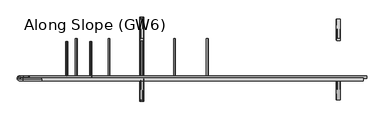
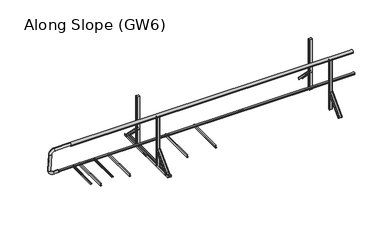
"""IFC4 building model written with IfcOpenShell, lengths in millimetres: proxy geometry, Along Slope (GW6)."""

from ifc_helpers import new_model, si_unit, point, frame, frame_2d, origin, origin_with_axes, place, context, project, spatial, polyline, circle_curve, ellipse_curve, trimmed, segment, composite_curve, outline, extrude, source, transform, mapped, element, save
from ifc_brep_helpers import plane_surface, cylinder_surface, revolved_surface, extruded_surface, advanced_brep


def along_slope_gw6_383ccba3(model_context):
    return source(origin(), model_context, "Body", "SolidModel", [
        advanced_brep(
        [(-200.0, -596.8, 513.0), (-200.0, -596.8, 553.0), (-210.0, -596.8, 508.0), (-210.0, -596.8, 558.0)],
        [
            (0, 1, circle_curve(frame((-200.0, -596.8, 533.0), z_axis=(1.0, 0.0, 0.0), x_axis=(0.0, 0.0, -1.0)), 20.0)),
            (1, 0, circle_curve(frame((-200.0, -596.8, 533.0), z_axis=(1.0, 0.0, 0.0), x_axis=(0.0, 0.0, 1.0)), 20.0)),
            (2, 3, circle_curve(frame((-210.0, -596.8, 533.0), z_axis=(-1.0, 0.0, 0.0), x_axis=(0.0, 0.0, 1.0)), 25.0)),
            (3, 2, circle_curve(frame((-210.0, -596.8, 533.0), z_axis=(-1.0, 0.0, 0.0), x_axis=(0.0, 0.0, -1.0)), 25.0)),
            (3, 1),
            (0, 2),
        ],
        [
            plane_surface(frame((-200.0, -596.8, 533.0), z_axis=(1.0, 0.0, 0.0), x_axis=(0.0, 1.0, 0.0))),
            plane_surface(frame((-210.0, -596.8, 533.0), z_axis=(-1.0, 0.0, 0.0), x_axis=(0.0, 1.0, 0.0))),
            revolved_surface(polyline([(-200.0, -596.8, 513.0), (-210.0, -596.8, 508.0)]), (-160.0, -596.8, 533.0), (-1.0, 0.0, 0.0)),
            revolved_surface(polyline([(-200.0, -596.8, 553.0), (-210.0, -596.8, 558.0)]), (-160.0, -596.8, 533.0), (-1.0, 0.0, 0.0)),
        ],
        [
            (0, [[1, 2]]),
            (1, [[3, 4]]),
            (2, [[-4, 5, -1, 6]]),
            (3, [[-3, -6, -2, -5]]),
        ],
    ),
        advanced_brep(
        [(0.0, -633.2768095, 1044.936779), (0.0, -629.7231905, 995.063221), (-300.0, -633.2768095, 1044.936779), (-300.0, -629.7231905, 995.063221), (-350.0, -626.1695715, 945.1896629), (-400.0, -626.1695715, 945.1896629), (-400.0, -602.1399996, 607.9446635), (-350.0, -602.1399996, 607.9446635), (-300.0, -598.5863806, 558.0711054), (-300.0, -595.0327616, 508.1975474), (-210.0, -595.0327616, 508.1975474), (-210.0, -598.5863806, 558.0711054)],
        [
            (0, 1, circle_curve(frame((0.0, -631.5, 1020.0), z_axis=(1.0, 0.0, 0.0), x_axis=(0.0, 0.07107238045514491, -0.9974711608545078)), 25.0)),
            (1, 0, circle_curve(frame((0.0, -631.5, 1020.0), z_axis=(1.0, 0.0, 0.0), x_axis=(0.0, 0.07107238045514491, -0.9974711608545078)), 25.0)),
            (0, 2),
            (2, 3, circle_curve(frame((-300.0, -631.5, 1020.0), z_axis=(1.0, 0.0, 0.0), x_axis=(0.0, 0.07107238045514491, -0.9974711608545078)), 25.0)),
            (3, 1),
            (3, 2, circle_curve(frame((-300.0, -631.5, 1020.0), z_axis=(1.0, 0.0, 0.0), x_axis=(0.0, 0.07107238045514491, -0.9974711608545078)), 25.0)),
            (4, 3, circle_curve(frame((-300.0, -626.1695715, 945.1896629), z_axis=(0.0, 0.9974711608545078, 0.07107238045514491), x_axis=(0.0, -0.07107238045514491, 0.9974711608545078)), 50.0)),
            (2, 5, circle_curve(frame((-300.0, -626.1695715, 945.1896629), z_axis=(0.0, -0.9974711608545078, -0.07107238045514491), x_axis=(0.0, -0.07107238045514491, 0.9974711608545078)), 100.0)),
            (5, 4, circle_curve(frame((-375.0, -626.1695715, 945.1896629), z_axis=(0.0, -0.07107238045514491, 0.9974711608545078), x_axis=(1.0000000000000002, 0.0, 0.0)), 25.0)),
            (4, 5, circle_curve(frame((-375.0, -626.1695715, 945.1896629), z_axis=(0.0, -0.07107238045514491, 0.9974711608545078), x_axis=(1.0000000000000002, 0.0, 0.0)), 25.0)),
            (5, 6),
            (6, 7, circle_curve(frame((-375.0, -602.1399996, 607.9446635), z_axis=(0.0, -0.07107238045514493, 0.9974711608545077), x_axis=(1.0, 0.0, 0.0)), 25.0)),
            (7, 4),
            (7, 6, circle_curve(frame((-375.0, -602.1399996, 607.9446635), z_axis=(0.0, -0.07107238045514493, 0.9974711608545077), x_axis=(1.0, 0.0, 0.0)), 25.0)),
            (8, 7, circle_curve(frame((-300.0, -602.1399996, 607.9446635), z_axis=(0.0, 0.9974711608545078, 0.07107238045514491), x_axis=(-1.0, 0.0, 0.0)), 50.0)),
            (6, 9, circle_curve(frame((-300.0, -602.1399996, 607.9446635), z_axis=(0.0, -0.9974711608545078, -0.07107238045514491), x_axis=(-1.0, 0.0, 0.0)), 100.0)),
            (9, 8, circle_curve(frame((-300.0, -596.8095711, 533.1343264), z_axis=(-1.0, 0.0, 0.0), x_axis=(0.0, -0.07107238045514493, 0.9974711608545078)), 25.0)),
            (8, 9, circle_curve(frame((-300.0, -596.8095711, 533.1343264), z_axis=(-1.0, 0.0, 0.0), x_axis=(0.0, -0.07107238045514493, 0.9974711608545078)), 25.0)),
            (10, 11, circle_curve(frame((-210.0, -596.8095711, 533.1343264), z_axis=(1.0, 0.0, 0.0), x_axis=(0.0, -0.07107238045514491, 0.9974711608545078)), 25.0)),
            (11, 10, circle_curve(frame((-210.0, -596.8095711, 533.1343264), z_axis=(1.0, 0.0, 0.0), x_axis=(0.0, -0.07107238045514491, 0.9974711608545078)), 25.0)),
            (9, 10),
            (11, 8),
        ],
        [
            plane_surface(frame((0.0, -633.2768095, 1044.936779), z_axis=(1.0000000000000002, 0.0, 0.0), x_axis=(0.0, -0.9974711608545078, -0.07107238045514491))),
            cylinder_surface(frame((0.0, -631.5, 1020.0), z_axis=(1.0000000000000002, 0.0, 0.0), x_axis=(0.0, 0.07107238045514491, -0.9974711608545078)), 25.0),
            revolved_surface(trimmed(ellipse_curve(frame((-300.0, -631.5, 1020.0), z_axis=(1.0000000000000002, 0.0, 0.0), x_axis=(0.0, 0.07107238045514491, -0.9974711608545078)), 25.0, 25.0), [point((-300.0, -633.2768095, 1044.936779))], [point((-300.0, -629.7231905, 995.063221))], True, "CARTESIAN"), (-300.0, -626.1695715, 945.1896629), (0.0, -0.9974711608545078, -0.07107238045514491)),
            revolved_surface(trimmed(ellipse_curve(frame((-300.0, -631.5, 1020.0), z_axis=(1.0000000000000002, 0.0, 0.0), x_axis=(0.0, 0.07107238045514491, -0.9974711608545078)), 25.0, 25.0), [point((-300.0, -629.7231905, 995.063221))], [point((-300.0, -633.2768095, 1044.936779))], True, "CARTESIAN"), (-300.0, -626.1695715, 945.1896629), (0.0, -0.9974711608545078, -0.07107238045514491)),
            cylinder_surface(frame((-375.0, -626.1695715, 945.1896629), z_axis=(0.0, -0.07107238045514493, 0.9974711608545077), x_axis=(1.0, 0.0, 0.0)), 25.0),
            revolved_surface(trimmed(ellipse_curve(frame((-375.0, -602.1399996, 607.9446635), z_axis=(0.0, -0.07107238045514494, 0.9974711608545078), x_axis=(1.0, 0.0, 0.0)), 25.0, 25.0), [point((-400.0, -602.1399996, 607.9446635))], [point((-350.0, -602.1399996, 607.9446635))], True, "CARTESIAN"), (-300.0, -602.1399996, 607.9446635), (0.0, -0.9974711608545078, -0.07107238045514491)),
            revolved_surface(trimmed(ellipse_curve(frame((-375.0, -602.1399996, 607.9446635), z_axis=(0.0, -0.07107238045514494, 0.9974711608545078), x_axis=(1.0, 0.0, 0.0)), 25.0, 25.0), [point((-350.0, -602.1399996, 607.9446635))], [point((-400.0, -602.1399996, 607.9446635))], True, "CARTESIAN"), (-300.0, -602.1399996, 607.9446635), (0.0, -0.9974711608545078, -0.07107238045514491)),
            plane_surface(frame((-210.0, -595.0327616, 508.1975474), z_axis=(1.0000000000000002, 0.0, 0.0), x_axis=(0.0, -0.9974711608545078, -0.07107238045514491))),
            cylinder_surface(frame((-300.0, -596.8095711, 533.1343264), z_axis=(-1.0, 0.0, 0.0), x_axis=(0.0, -0.07107238045514491, 0.9974711608545078)), 25.0),
        ],
        [
            (0, [[1, 2]]),
            (1, [[-1, 3, 4, 5]]),
            (1, [[-2, -5, 6, -3]]),
            (2, [[7, -4, 8, 9]]),
            (3, [[-8, -6, -7, 10]]),
            (4, [[-9, 11, 12, 13]]),
            (4, [[-10, -13, 14, -11]]),
            (5, [[15, -12, 16, 17]]),
            (6, [[-16, -14, -15, 18]]),
            (7, [[19, 20]]),
            (8, [[-17, 21, -20, 22]]),
            (8, [[-18, -22, -19, -21]]),
        ],
    ),
        extrude(outline(composite_curve([segment(trimmed(circle_curve(frame_2d((-596.787505, 533.0)), 20.0), [point((-578.2, 525.617273))], [point((-612.5, 520.6259343))], False, "CARTESIAN"), True, "CONTINUOUS"), segment(polyline([(-612.5, 520.6259343), (-612.5, 545.3740657)]), True, "CONTINUOUS"), segment(trimmed(circle_curve(frame_2d((-596.787505, 533.0)), 20.0), [point((-612.5, 545.3740657))], [point((-578.2, 540.382727))], False, "CARTESIAN"), True, "CONTINUOUS"), segment(polyline([(-578.2, 540.382727), (-582.2, 540.382727), (-582.2, 525.617273), (-578.2, 525.617273)]), True, "CONTINUOUS")], self_intersect=False)), frame((-200.0, 0.0, 0.0), z_axis=(1.0, 0.0, 0.0), x_axis=(0.0, 1.0, 0.0)), (0.0, 0.0, 1.0), 5585.0),
        extrude(outline(composite_curve([segment(trimmed(circle_curve(frame_2d((-631.5, 1020.0)), 25.0), [point((-652.5, 1006.43534))], [point((-610.5, 1006.43534))], False, "CARTESIAN"), True, "CONTINUOUS"), segment(polyline([(-610.5, 1006.43534), (-610.5, 988.0), (-611.5, 988.0), (-611.5, 1003.0), (-651.5, 1003.0), (-651.5, 988.0), (-652.5, 988.0), (-652.5, 1006.43534)]), True, "CONTINUOUS")], self_intersect=False)), frame((0.0, 0.0, 0.0), z_axis=(1.0, 0.0, 0.0), x_axis=(0.0, 1.0, 0.0)), (0.0, 0.0, 1.0), 5330.0),
        extrude(outline(polyline([(3e-07, 2761.8888889), (2.0000003, 2761.8888889), (2.0000003, 2733.8888889), (38.0000003, 2733.8888889), (38.0000003, 2751.8888889), (40.0000003, 2751.8888889), (40.0000003, 2731.8888889), (3e-07, 2731.8888889), (3e-07, 2761.8888889)])), frame((0.0, -650.0, 0.0), z_axis=(0.0, 1.0, 0.0), x_axis=(0.0, 0.0, 1.0)), (0.0, 0.0, 1.0), 700.0),
        extrude(outline(polyline([(3e-07, 2218.1111111), (2.0000003, 2218.1111111), (2.0000003, 2190.1111111), (38.0000003, 2190.1111111), (38.0000003, 2208.1111111), (40.0000003, 2208.1111111), (40.0000003, 2188.1111111), (3e-07, 2188.1111111), (3e-07, 2218.1111111)])), frame((0.0, -650.0, 0.0), z_axis=(0.0, 1.0, 0.0), x_axis=(0.0, 0.0, 1.0)), (0.0, 0.0, 1.0), 700.0),
        extrude(outline(polyline([(3e-07, 1130.5555556), (2.0000003, 1130.5555556), (2.0000003, 1102.5555556), (38.0000003, 1102.5555556), (38.0000003, 1120.5555556), (40.0000003, 1120.5555556), (40.0000003, 1100.5555556), (3e-07, 1100.5555556), (3e-07, 1130.5555556)])), frame((0.0, -650.0, 0.0), z_axis=(0.0, 1.0, 0.0), x_axis=(0.0, 0.0, 1.0)), (0.0, 0.0, 1.0), 700.0),
        extrude(outline(polyline([(3e-07, 586.7777778), (2.0000003, 586.7777778), (2.0000003, 558.7777778), (38.0000003, 558.7777778), (38.0000003, 576.7777778), (40.0000003, 576.7777778), (40.0000003, 556.7777778), (3e-07, 556.7777778), (3e-07, 586.7777778)])), frame((0.0, -650.0, 0.0), z_axis=(0.0, 1.0, 0.0), x_axis=(0.0, 0.0, 1.0)), (0.0, 0.0, 1.0), 700.0),
        extrude(outline(composite_curve([segment(trimmed(circle_curve(frame_2d((62.9683907, 823.75)), 6.25), [point((67.8614305, 819.8614704))], [point((60.2402402, 818.1268608))], False, "CARTESIAN"), True, "CONTINUOUS"), segment(trimmed(circle_curve(frame_2d((59.3468026, 816.2853478)), 2.0468026), [point((60.2402402, 818.1268608))], [point((57.3, 816.2853478))], True, "CARTESIAN"), True, "CONTINUOUS"), segment(polyline([(57.3, 816.2853478), (57.3, 801.5)]), True, "CONTINUOUS"), segment(trimmed(circle_curve(frame_2d((55.8, 801.5)), 1.5), [point((57.3, 801.5))], [point((55.8, 800.0))], False, "CARTESIAN"), True, "CONTINUOUS"), segment(polyline([(55.8, 800.0), (55.0, 800.0), (55.0, 821.9783691)]), True, "CONTINUOUS"), segment(trimmed(circle_curve(frame_2d((64.084859, 821.098018)), 9.1274138), [point((55.0, 821.9783691))], [point((60.5433217, 829.510342))], False, "CARTESIAN"), True, "CONTINUOUS"), segment(trimmed(circle_curve(frame_2d((62.9683907, 823.75)), 6.25), [point((60.5433217, 829.510342))], [point((67.8614305, 827.6385296))], False, "CARTESIAN"), True, "CONTINUOUS"), segment(trimmed(circle_curve(frame_2d((67.2653483, 827.1648193)), 0.7613904), [point((67.8614305, 827.6385296))], [point((66.7916381, 826.5687372))], False, "CARTESIAN"), True, "CONTINUOUS"), segment(trimmed(circle_curve(frame_2d((62.9683907, 823.75)), 4.75), [point((66.7916381, 826.5687372))], [point((66.7916381, 820.9312628))], True, "CARTESIAN"), True, "CONTINUOUS"), segment(trimmed(circle_curve(frame_2d((67.2653483, 820.3351807)), 0.7613904), [point((66.7916381, 820.9312628))], [point((67.8614305, 819.8614704))], False, "CARTESIAN"), True, "CONTINUOUS")], self_intersect=False)), frame((0.0, -600.0, 0.0), z_axis=(0.0, 1.0, 0.0), x_axis=(0.0, 0.0, 1.0)), (0.0, 0.0, 1.0), 600.0),
        extrude(outline(composite_curve([segment(trimmed(circle_curve(frame_2d((62.9683907, 423.75)), 6.25), [point((67.8614305, 419.8614704))], [point((60.2402402, 418.1268608))], False, "CARTESIAN"), True, "CONTINUOUS"), segment(trimmed(circle_curve(frame_2d((59.3468026, 416.2853478)), 2.0468026), [point((60.2402402, 418.1268608))], [point((57.3, 416.2853478))], True, "CARTESIAN"), True, "CONTINUOUS"), segment(polyline([(57.3, 416.2853478), (57.3, 401.5)]), True, "CONTINUOUS"), segment(trimmed(circle_curve(frame_2d((55.8, 401.5)), 1.5), [point((57.3, 401.5))], [point((55.8, 400.0))], False, "CARTESIAN"), True, "CONTINUOUS"), segment(polyline([(55.8, 400.0), (55.0, 400.0), (55.0, 421.9783691)]), True, "CONTINUOUS"), segment(trimmed(circle_curve(frame_2d((64.084859, 421.098018)), 9.1274138), [point((55.0, 421.9783691))], [point((60.5433217, 429.510342))], False, "CARTESIAN"), True, "CONTINUOUS"), segment(trimmed(circle_curve(frame_2d((62.9683907, 423.75)), 6.25), [point((60.5433217, 429.510342))], [point((67.8614305, 427.6385296))], False, "CARTESIAN"), True, "CONTINUOUS"), segment(trimmed(circle_curve(frame_2d((67.2653483, 427.1648193)), 0.7613904), [point((67.8614305, 427.6385296))], [point((66.7916381, 426.5687372))], False, "CARTESIAN"), True, "CONTINUOUS"), segment(trimmed(circle_curve(frame_2d((62.9683907, 423.75)), 4.75), [point((66.7916381, 426.5687372))], [point((66.7916381, 420.9312628))], True, "CARTESIAN"), True, "CONTINUOUS"), segment(trimmed(circle_curve(frame_2d((67.2653483, 420.3351807)), 0.7613904), [point((66.7916381, 420.9312628))], [point((67.8614305, 419.8614704))], False, "CARTESIAN"), True, "CONTINUOUS")], self_intersect=False)), frame((0.0, -600.0, 0.0), z_axis=(0.0, 1.0, 0.0), x_axis=(0.0, 0.0, 1.0)), (0.0, 0.0, 1.0), 600.0),
        advanced_brep(
        [(1688.8333333, 368.6980515, 38.0000003), (1688.8333333, 342.888654, 12.1906028), (1685.8333333, 342.888654, 12.1906028), (1685.8333333, 366.5767312, 35.87868), (1675.8333333, 366.5767312, 35.87868), (1675.8333333, 364.8089642, 34.110913), (1674.8333333, 364.8089642, 34.110913), (1674.8333333, 366.5767312, 35.87868), (1637.8333333, 366.5767312, 35.87868), (1637.8333333, 364.8089642, 34.110913), (1636.8333333, 364.8089642, 34.110913), (1636.8333333, 366.5767312, 35.87868), (1626.8333333, 366.5767312, 35.87868), (1626.8333333, 342.888654, 12.1906028), (1623.8333333, 342.888654, 12.1906028), (1623.8333333, 368.6980515, 38.0000003), (1691.8333333, 50.5, 356.1980519), (1626.8333333, 50.5, 356.1980519), (1626.8333333, 24.6906025, 330.3886543), (1629.8333333, 24.6906025, 330.3886543), (1629.8333333, 48.3786797, 354.0767315), (1639.8333333, 48.3786797, 354.0767315), (1639.8333333, 46.6109127, 352.3089646), (1640.8333333, 46.6109127, 352.3089646), (1640.8333333, 48.3786797, 354.0767315), (1677.8333333, 48.3786797, 354.0767315), (1677.8333333, 46.6109127, 352.3089646), (1678.8333333, 46.6109127, 352.3089646), (1678.8333333, 48.3786797, 354.0767315), (1688.8333333, 48.3786797, 354.0767315), (1688.8333333, 24.6906025, 330.3886543), (1691.8333333, 24.6906025, 330.3886543)],
        [
            (0, 1),
            (1, 2, circle_curve(frame((1687.3333333, 342.888654, 12.1906028), z_axis=(0.0, 0.7071067811865506, -0.7071067811865446), x_axis=(0.0, 0.7071067811865446, 0.7071067811865506)), 1.5)),
            (2, 3),
            (3, 4),
            (4, 5),
            (5, 6, circle_curve(frame((1675.3333333, 364.8089642, 34.110913), z_axis=(0.0, 0.7071067811865506, -0.7071067811865446), x_axis=(0.0, 0.7071067811865446, 0.7071067811865506)), 0.5)),
            (6, 7),
            (7, 8),
            (8, 9),
            (9, 10, circle_curve(frame((1637.3333333, 364.8089642, 34.110913), z_axis=(0.0, 0.7071067811865506, -0.7071067811865446), x_axis=(0.0, 0.7071067811865446, 0.7071067811865506)), 0.5)),
            (10, 11),
            (11, 12),
            (12, 13),
            (13, 14, circle_curve(frame((1625.3333333, 342.888654, 12.1906028), z_axis=(0.0, 0.7071067811865506, -0.7071067811865446), x_axis=(0.0, 0.7071067811865446, 0.7071067811865506)), 1.5)),
            (14, 15),
            (15, 0),
            (16, 17),
            (17, 18),
            (18, 19, circle_curve(frame((1628.3333333, 24.6906025, 330.3886543), z_axis=(0.0, -0.7071067811865506, 0.7071067811865446), x_axis=(0.0, 0.7071067811865446, 0.7071067811865506)), 1.5)),
            (19, 20),
            (20, 21),
            (21, 22),
            (22, 23, circle_curve(frame((1640.3333333, 46.6109127, 352.3089646), z_axis=(0.0, -0.7071067811865506, 0.7071067811865446), x_axis=(0.0, 0.7071067811865446, 0.7071067811865506)), 0.5)),
            (23, 24),
            (24, 25),
            (25, 26),
            (26, 27, circle_curve(frame((1678.3333333, 46.6109127, 352.3089646), z_axis=(0.0, -0.7071067811865506, 0.7071067811865446), x_axis=(0.0, 0.7071067811865446, 0.7071067811865506)), 0.5)),
            (27, 28),
            (28, 29),
            (29, 30),
            (30, 31, circle_curve(frame((1690.3333333, 24.6906025, 330.3886543), z_axis=(0.0, -0.7071067811865506, 0.7071067811865446), x_axis=(0.0, 0.7071067811865446, 0.7071067811865506)), 1.5)),
            (31, 16),
            (31, 1),
            (0, 16),
            (30, 2),
            (29, 3),
            (28, 4),
            (27, 5),
            (26, 6),
            (25, 7),
            (24, 8),
            (23, 9),
            (22, 10),
            (21, 11),
            (20, 12),
            (19, 13),
            (18, 14),
            (17, 15),
        ],
        [
            plane_surface(frame((1656.3333333, 360.4779352, 29.779884), z_axis=(0.0, 0.7071067811865502, -0.7071067811865449), x_axis=(0.0, -0.7071067811865449, -0.7071067811865502))),
            plane_surface(frame((1659.3333333, 42.2798837, 347.9779355), z_axis=(0.0, -0.7071067811865505, 0.7071067811865447), x_axis=(0.0, -0.7071067811865447, -0.7071067811865505))),
            plane_surface(frame((1691.8333333, 37.5953012, 343.2933531), z_axis=(0.9999777785184913, 0.004713940454838276, -0.004713940454838116), x_axis=(0.0, -0.7071067811865449, -0.7071067811865502))),
            extruded_surface(trimmed(circle_curve(frame((1690.3333333, 24.6906025, 330.3886543), z_axis=(0.0, 0.7071067811865506, -0.7071067811865446), x_axis=(0.0, 0.7071067811865446, 0.7071067811865506)), 1.5), [point((1691.8333333, 24.6906025, 330.3886543))], [point((1688.8333333, 24.6906025, 330.3886543))], True, "CARTESIAN"), (-3.0, 318.19805149999996, -318.19805149999996), 450.009999840885),
            plane_surface(frame((1688.8333333, 36.5346411, 342.2326929), z_axis=(-0.9999777785184911, -0.004713940454837886, 0.00471394045483772), x_axis=(0.0, 0.7071067811865445, 0.7071067811865506))),
            plane_surface(frame((1683.8333333, 48.3786797, 354.0767315), z_axis=(0.0, -0.7071067811865455, -0.7071067811865496), x_axis=(-1.0, 0.0, 0.0))),
            plane_surface(frame((1678.8333333, 47.4947962, 353.192848), z_axis=(0.9999777785184913, 0.004713940454838199, -0.0047139404548380325), x_axis=(0.0, -0.7071067811865445, -0.7071067811865507))),
            extruded_surface(trimmed(circle_curve(frame((1678.3333333, 46.6109127, 352.3089646), z_axis=(0.0, 0.7071067811865506, -0.7071067811865446), x_axis=(0.0, 0.7071067811865446, 0.7071067811865506)), 0.5), [point((1678.8333333, 46.6109127, 352.3089646))], [point((1677.8333333, 46.6109127, 352.3089646))], True, "CARTESIAN"), (-3.0, 318.1980515, -318.19805160000004), 450.00999991159415),
            plane_surface(frame((1677.8333333, 47.4947962, 353.192848), z_axis=(-0.9999777785184912, -0.004713940454838169, 0.0047139404548381045), x_axis=(0.0, 0.7071067811865521, 0.707106781186543))),
            plane_surface(frame((1659.3333333, 48.3786797, 354.0767315), z_axis=(0.0, -0.7071067811865461, -0.7071067811865491), x_axis=(-1.0, 0.0, 0.0))),
            plane_surface(frame((1640.8333333, 47.4947962, 353.192848), z_axis=(0.9999777785184911, 0.004713940454838164, -0.004713940454837987), x_axis=(0.0, -0.7071067811865436, -0.7071067811865515))),
            extruded_surface(trimmed(circle_curve(frame((1640.3333333, 46.6109127, 352.3089646), z_axis=(0.0, 0.7071067811865506, -0.7071067811865446), x_axis=(0.0, 0.7071067811865446, 0.7071067811865506)), 0.5), [point((1640.8333333, 46.6109127, 352.3089646))], [point((1639.8333333, 46.6109127, 352.3089646))], True, "CARTESIAN"), (-3.0, 318.1980515, -318.19805160000004), 450.00999991159415),
            plane_surface(frame((1639.8333333, 47.4947962, 353.192848), z_axis=(-0.9999777785184913, -0.004713940454838203, 0.004713940454838003), x_axis=(0.0, 0.7071067811865419, 0.7071067811865532))),
            plane_surface(frame((1634.8333333, 48.3786797, 354.0767315), z_axis=(0.0, -0.7071067811865461, -0.7071067811865491), x_axis=(-1.0, 0.0, 0.0))),
            plane_surface(frame((1629.8333333, 36.5346411, 342.2326929), z_axis=(0.9999777785184911, 0.004713940454838192, -0.004713940454838038), x_axis=(0.0, -0.7071067811865454, -0.7071067811865497))),
            extruded_surface(trimmed(circle_curve(frame((1628.3333333, 24.6906025, 330.3886543), z_axis=(0.0, 0.7071067811865506, -0.7071067811865446), x_axis=(0.0, 0.7071067811865446, 0.7071067811865506)), 1.5), [point((1629.8333333, 24.6906025, 330.3886543))], [point((1626.8333333, 24.6906025, 330.3886543))], True, "CARTESIAN"), (-3.0, 318.19805149999996, -318.19805149999996), 450.009999840885),
            plane_surface(frame((1626.8333333, 37.5953012, 343.2933531), z_axis=(-0.9999777785184911, -0.00471394045483825, 0.004713940454838091), x_axis=(0.0, 0.7071067811865449, 0.7071067811865501))),
            plane_surface(frame((1659.3333333, 50.5, 356.1980519), z_axis=(0.0, 0.7071067811865455, 0.7071067811865497), x_axis=(1.0, 0.0, 0.0))),
        ],
        [
            (0, [[1, 2, 3, 4, 5, 6, 7, 8, 9, 10, 11, 12, 13, 14, 15, 16]]),
            (1, [[17, 18, 19, 20, 21, 22, 23, 24, 25, 26, 27, 28, 29, 30, 31, 32]]),
            (2, [[-32, 33, -1, 34]]),
            (3, [[-31, 35, -2, -33]]),
            (4, [[-30, 36, -3, -35]]),
            (5, [[-29, 37, -4, -36]]),
            (6, [[-28, 38, -5, -37]]),
            (7, [[-27, 39, -6, -38]]),
            (8, [[-26, 40, -7, -39]]),
            (9, [[-25, 41, -8, -40]]),
            (10, [[-24, 42, -9, -41]]),
            (11, [[-23, 43, -10, -42]]),
            (12, [[-22, 44, -11, -43]]),
            (13, [[-21, 45, -12, -44]]),
            (14, [[-20, 46, -13, -45]]),
            (15, [[-19, 47, -14, -46]]),
            (16, [[-18, 48, -15, -47]]),
            (17, [[-17, -34, -16, -48]]),
        ],
    ),
        extrude(outline(composite_curve([segment(trimmed(circle_curve(frame_2d((1682.3333333, 45.5)), 5.0), [point((1682.3333333, 50.5))], [point((1687.3333333, 45.5))], False, "CARTESIAN"), True, "CONTINUOUS"), segment(polyline([(1687.3333333, 45.5), (1687.3333333, 17.5)]), True, "CONTINUOUS"), segment(trimmed(circle_curve(frame_2d((1682.3333333, 17.5)), 5.0), [point((1687.3333333, 17.5))], [point((1682.3333333, 12.5))], False, "CARTESIAN"), True, "CONTINUOUS"), segment(polyline([(1682.3333333, 12.5), (1636.3333333, 12.5)]), True, "CONTINUOUS"), segment(trimmed(circle_curve(frame_2d((1636.3333333, 17.5)), 5.0), [point((1636.3333333, 12.5))], [point((1631.3333333, 17.5))], False, "CARTESIAN"), True, "CONTINUOUS"), segment(polyline([(1631.3333333, 17.5), (1631.3333333, 45.5)]), True, "CONTINUOUS"), segment(trimmed(circle_curve(frame_2d((1636.3333333, 45.5)), 5.0), [point((1631.3333333, 45.5))], [point((1636.3333333, 50.5))], False, "CARTESIAN"), True, "CONTINUOUS"), segment(polyline([(1636.3333333, 50.5), (1682.3333333, 50.5)]), True, "CONTINUOUS")], self_intersect=False)), frame((0.0, 0.0, 3e-07), z_axis=(0.0, 0.0, 1.0), x_axis=(1.0, 0.0, 0.0)), (0.0, 0.0, 1.0), 1003.0),
        extrude(outline(composite_curve([segment(trimmed(circle_curve(frame_2d((1682.3333333, -617.5)), 5.0), [point((1682.3333333, -612.5))], [point((1687.3333333, -617.5))], False, "CARTESIAN"), True, "CONTINUOUS"), segment(polyline([(1687.3333333, -617.5), (1687.3333333, -645.5)]), True, "CONTINUOUS"), segment(trimmed(circle_curve(frame_2d((1682.3333333, -645.5)), 5.0), [point((1687.3333333, -645.5))], [point((1682.3333333, -650.5))], False, "CARTESIAN"), True, "CONTINUOUS"), segment(polyline([(1682.3333333, -650.5), (1636.3333333, -650.5)]), True, "CONTINUOUS"), segment(trimmed(circle_curve(frame_2d((1636.3333333, -645.5)), 5.0), [point((1636.3333333, -650.5))], [point((1631.3333333, -645.5))], False, "CARTESIAN"), True, "CONTINUOUS"), segment(polyline([(1631.3333333, -645.5), (1631.3333333, -617.5)]), True, "CONTINUOUS"), segment(trimmed(circle_curve(frame_2d((1636.3333333, -617.5)), 5.0), [point((1631.3333333, -617.5))], [point((1636.3333333, -612.5))], False, "CARTESIAN"), True, "CONTINUOUS"), segment(polyline([(1636.3333333, -612.5), (1682.3333333, -612.5)]), True, "CONTINUOUS")], self_intersect=False)), frame((0.0, 0.0, 3e-07), z_axis=(0.0, 0.0, 1.0), x_axis=(1.0, 0.0, 0.0)), (0.0, 0.0, 1.0), 1003.0),
        advanced_brep(
        [(1623.8333333, -968.7087394, 38.0000003), (1623.8333333, -942.8993419, 12.1906028), (1626.8333333, -942.8993419, 12.1906028), (1626.8333333, -966.5874191, 35.87868), (1636.8333333, -966.5874191, 35.87868), (1636.8333333, -964.8196521, 34.110913), (1637.8333333, -964.8196521, 34.110913), (1637.8333333, -966.5874191, 35.87868), (1674.8333333, -966.5874191, 35.87868), (1674.8333333, -964.8196521, 34.110913), (1675.8333333, -964.8196521, 34.110913), (1675.8333333, -966.5874191, 35.87868), (1685.8333333, -966.5874191, 35.87868), (1685.8333333, -942.8993419, 12.1906028), (1688.8333333, -942.8993419, 12.1906028), (1688.8333333, -968.7087394, 38.0000003), (1626.8333333, -650.5106879, 356.1980519), (1691.8333333, -650.5106879, 356.1980519), (1691.8333333, -624.7012904, 330.3886543), (1688.8333333, -624.7012904, 330.3886543), (1688.8333333, -648.3893676, 354.0767315), (1678.8333333, -648.3893676, 354.0767315), (1678.8333333, -646.6216006, 352.3089646), (1677.8333333, -646.6216006, 352.3089646), (1677.8333333, -648.3893676, 354.0767315), (1640.8333333, -648.3893676, 354.0767315), (1640.8333333, -646.6216006, 352.3089646), (1639.8333333, -646.6216006, 352.3089646), (1639.8333333, -648.3893676, 354.0767315), (1629.8333333, -648.3893676, 354.0767315), (1629.8333333, -624.7012904, 330.3886543), (1626.8333333, -624.7012904, 330.3886543)],
        [
            (0, 1),
            (1, 2, circle_curve(frame((1625.3333333, -942.8993419, 12.1906028), z_axis=(0.0, -0.7071067811865432, -0.7071067811865519), x_axis=(0.0, 0.7071067811865519, -0.7071067811865432)), 1.5)),
            (2, 3),
            (3, 4),
            (4, 5),
            (5, 6, circle_curve(frame((1637.3333333, -964.8196521, 34.110913), z_axis=(0.0, -0.7071067811865432, -0.7071067811865519), x_axis=(0.0, 0.7071067811865519, -0.7071067811865432)), 0.5)),
            (6, 7),
            (7, 8),
            (8, 9),
            (9, 10, circle_curve(frame((1675.3333333, -964.8196521, 34.110913), z_axis=(0.0, -0.7071067811865432, -0.7071067811865519), x_axis=(0.0, 0.7071067811865519, -0.7071067811865432)), 0.5)),
            (10, 11),
            (11, 12),
            (12, 13),
            (13, 14, circle_curve(frame((1687.3333333, -942.8993419, 12.1906028), z_axis=(0.0, -0.7071067811865432, -0.7071067811865519), x_axis=(0.0, 0.7071067811865519, -0.7071067811865432)), 1.5)),
            (14, 15),
            (15, 0),
            (16, 17),
            (17, 18),
            (18, 19, circle_curve(frame((1690.3333333, -624.7012904, 330.3886543), z_axis=(0.0, 0.7071067811865432, 0.7071067811865519), x_axis=(0.0, 0.7071067811865519, -0.7071067811865432)), 1.5)),
            (19, 20),
            (20, 21),
            (21, 22),
            (22, 23, circle_curve(frame((1678.3333333, -646.6216006, 352.3089646), z_axis=(0.0, 0.7071067811865432, 0.7071067811865519), x_axis=(0.0, 0.7071067811865519, -0.7071067811865432)), 0.5)),
            (23, 24),
            (24, 25),
            (25, 26),
            (26, 27, circle_curve(frame((1640.3333333, -646.6216006, 352.3089646), z_axis=(0.0, 0.7071067811865432, 0.7071067811865519), x_axis=(0.0, 0.7071067811865519, -0.7071067811865432)), 0.5)),
            (27, 28),
            (28, 29),
            (29, 30),
            (30, 31, circle_curve(frame((1628.3333333, -624.7012904, 330.3886543), z_axis=(0.0, 0.7071067811865432, 0.7071067811865519), x_axis=(0.0, 0.7071067811865519, -0.7071067811865432)), 1.5)),
            (31, 16),
            (31, 1),
            (0, 16),
            (30, 2),
            (29, 3),
            (28, 4),
            (27, 5),
            (26, 6),
            (25, 7),
            (24, 8),
            (23, 9),
            (22, 10),
            (21, 11),
            (20, 12),
            (19, 13),
            (18, 14),
            (17, 15),
        ],
        [
            plane_surface(frame((1656.3333333, -960.4886231, 29.779884), z_axis=(0.0, -0.707106781186543, -0.7071067811865521), x_axis=(0.0, 0.7071067811865521, -0.707106781186543))),
            plane_surface(frame((1659.3333333, -642.2905716, 347.9779355), z_axis=(0.0, 0.7071067811865432, 0.7071067811865519), x_axis=(0.0, 0.7071067811865519, -0.7071067811865432))),
            plane_surface(frame((1626.8333333, -637.6059891, 343.2933531), z_axis=(-0.9999777785184912, 0.004713940454842057, 0.004713940454841993), x_axis=(0.0, 0.7071067811865521, -0.707106781186543))),
            extruded_surface(trimmed(circle_curve(frame((1628.3333333, -624.7012904, 330.3886543), z_axis=(0.0, -0.7071067811865432, -0.7071067811865519), x_axis=(0.0, 0.7071067811865519, -0.7071067811865432)), 1.5), [point((1626.8333333, -624.7012904, 330.3886543))], [point((1629.8333333, -624.7012904, 330.3886543))], True, "CARTESIAN"), (-3.0, -318.1980515, -318.19805149999996), 450.009999840885),
            plane_surface(frame((1629.8333333, -636.545329, 342.2326929), z_axis=(0.9999777785184912, -0.004713940454842057, -0.004713940454841993), x_axis=(0.0, -0.7071067811865521, 0.707106781186543))),
            plane_surface(frame((1634.8333333, -648.3893676, 354.0767315), z_axis=(0.0, 0.7071067811865525, -0.7071067811865427), x_axis=(1.0, 0.0, 0.0))),
            plane_surface(frame((1639.8333333, -647.5054841, 353.192848), z_axis=(-0.9999777785184911, 0.004713940454842033, 0.004713940454842016), x_axis=(0.0, 0.7071067811865557, -0.7071067811865394))),
            extruded_surface(trimmed(circle_curve(frame((1640.3333333, -646.6216006, 352.3089646), z_axis=(0.0, -0.7071067811865432, -0.7071067811865519), x_axis=(0.0, 0.7071067811865519, -0.7071067811865432)), 0.5), [point((1639.8333333, -646.6216006, 352.3089646))], [point((1640.8333333, -646.6216006, 352.3089646))], True, "CARTESIAN"), (-3.0, -318.1980515, -318.19805160000004), 450.00999991159415),
            plane_surface(frame((1640.8333333, -647.5054841, 353.192848), z_axis=(0.9999777785184911, -0.004713940454842045, -0.004713940454842029), x_axis=(0.0, -0.7071067811865557, 0.7071067811865394))),
            plane_surface(frame((1659.3333333, -648.3893676, 354.0767315), z_axis=(0.0, 0.7071067811865525, -0.7071067811865427), x_axis=(1.0, 0.0, 0.0))),
            plane_surface(frame((1677.8333333, -647.5054841, 353.192848), z_axis=(-0.9999777785184911, 0.004713940454842039, 0.004713940454842022), x_axis=(0.0, 0.7071067811865557, -0.7071067811865394))),
            extruded_surface(trimmed(circle_curve(frame((1678.3333333, -646.6216006, 352.3089646), z_axis=(0.0, -0.7071067811865432, -0.7071067811865519), x_axis=(0.0, 0.7071067811865519, -0.7071067811865432)), 0.5), [point((1677.8333333, -646.6216006, 352.3089646))], [point((1678.8333333, -646.6216006, 352.3089646))], True, "CARTESIAN"), (-3.0, -318.1980515, -318.19805160000004), 450.00999991159415),
            plane_surface(frame((1678.8333333, -647.5054841, 353.192848), z_axis=(0.9999777785184911, -0.004713940454842066, -0.004713940454841994), x_axis=(0.0, -0.7071067811865515, 0.7071067811865436))),
            plane_surface(frame((1683.8333333, -648.3893676, 354.0767315), z_axis=(0.0, 0.7071067811865522, -0.707106781186543), x_axis=(1.0, 0.0, 0.0))),
            plane_surface(frame((1688.8333333, -636.545329, 342.2326929), z_axis=(-0.9999777785184911, 0.004713940454842064, 0.004713940454841998), x_axis=(0.0, 0.707106781186552, -0.7071067811865431))),
            extruded_surface(trimmed(circle_curve(frame((1690.3333333, -624.7012904, 330.3886543), z_axis=(0.0, -0.7071067811865432, -0.7071067811865519), x_axis=(0.0, 0.7071067811865519, -0.7071067811865432)), 1.5), [point((1688.8333333, -624.7012904, 330.3886543))], [point((1691.8333333, -624.7012904, 330.3886543))], True, "CARTESIAN"), (-3.0, -318.1980515, -318.19805149999996), 450.009999840885),
            plane_surface(frame((1691.8333333, -637.6059891, 343.2933531), z_axis=(0.9999777785184913, -0.004713940454842066, -0.004713940454841998), x_axis=(0.0, -0.7071067811865519, 0.7071067811865432))),
            plane_surface(frame((1659.3333333, -650.5106879, 356.1980519), z_axis=(0.0, -0.7071067811865526, 0.7071067811865427), x_axis=(-1.0, 0.0, 0.0))),
        ],
        [
            (0, [[1, 2, 3, 4, 5, 6, 7, 8, 9, 10, 11, 12, 13, 14, 15, 16]]),
            (1, [[17, 18, 19, 20, 21, 22, 23, 24, 25, 26, 27, 28, 29, 30, 31, 32]]),
            (2, [[-32, 33, -1, 34]]),
            (3, [[-31, 35, -2, -33]]),
            (4, [[-30, 36, -3, -35]]),
            (5, [[-29, 37, -4, -36]]),
            (6, [[-28, 38, -5, -37]]),
            (7, [[-27, 39, -6, -38]]),
            (8, [[-26, 40, -7, -39]]),
            (9, [[-25, 41, -8, -40]]),
            (10, [[-24, 42, -9, -41]]),
            (11, [[-23, 43, -10, -42]]),
            (12, [[-22, 44, -11, -43]]),
            (13, [[-21, 45, -12, -44]]),
            (14, [[-20, 46, -13, -45]]),
            (15, [[-19, 47, -14, -46]]),
            (16, [[-18, 48, -15, -47]]),
            (17, [[-17, -34, -16, -48]]),
        ],
    ),
        extrude(outline(composite_curve([segment(polyline([(3e-07, 1626.8333333), (3e-07, 1691.8333333), (36.5000003, 1691.8333333)]), True, "CONTINUOUS"), segment(trimmed(circle_curve(frame_2d((36.5000003, 1690.3333333)), 1.5), [point((36.5000003, 1691.8333333))], [point((36.5000003, 1688.8333333))], False, "CARTESIAN"), True, "CONTINUOUS"), segment(polyline([(36.5000003, 1688.8333333), (3.0000003, 1688.8333333), (3.0000003, 1678.8333333), (5.5000003, 1678.8333333)]), True, "CONTINUOUS"), segment(trimmed(circle_curve(frame_2d((5.5000003, 1678.3333333)), 0.5), [point((5.5000003, 1678.8333333))], [point((5.5000003, 1677.8333333))], False, "CARTESIAN"), True, "CONTINUOUS"), segment(polyline([(5.5000003, 1677.8333333), (3.0000003, 1677.8333333), (3.0000003, 1640.8333333), (5.5000003, 1640.8333333)]), True, "CONTINUOUS"), segment(trimmed(circle_curve(frame_2d((5.5000003, 1640.3333333)), 0.5), [point((5.5000003, 1640.8333333))], [point((5.5000003, 1639.8333333))], False, "CARTESIAN"), True, "CONTINUOUS"), segment(polyline([(5.5000003, 1639.8333333), (3.0000003, 1639.8333333), (3.0000003, 1629.8333333), (36.5000003, 1629.8333333)]), True, "CONTINUOUS"), segment(trimmed(circle_curve(frame_2d((36.5000003, 1628.3333333)), 1.5), [point((36.5000003, 1629.8333333))], [point((36.5000003, 1626.8333333))], False, "CARTESIAN"), True, "CONTINUOUS"), segment(polyline([(36.5000003, 1626.8333333), (3e-07, 1626.8333333)]), True, "CONTINUOUS")], self_intersect=False)), frame((0.0, -1000.0, 0.0), z_axis=(0.0, 1.0, 0.0), x_axis=(0.0, 0.0, 1.0)), (0.0, 0.0, 1.0), 1400.0),
        advanced_brep(
        [(4947.0, 368.6980515, 38.0), (4947.0, 342.888654, 12.1906025), (4944.0, 342.888654, 12.1906025), (4944.0, 366.5767312, 35.8786797), (4934.0, 366.5767312, 35.8786797), (4934.0, 364.8089642, 34.1109127), (4933.0, 364.8089642, 34.1109127), (4933.0, 366.5767312, 35.8786797), (4896.0, 366.5767312, 35.8786797), (4896.0, 364.8089642, 34.1109127), (4895.0, 364.8089642, 34.1109127), (4895.0, 366.5767312, 35.8786797), (4885.0, 366.5767312, 35.8786797), (4885.0, 342.888654, 12.1906025), (4882.0, 342.888654, 12.1906025), (4882.0, 368.6980515, 38.0), (4950.0, 50.5, 356.1980516), (4885.0, 50.5, 356.1980516), (4885.0, 24.6906025, 330.3886541), (4888.0, 24.6906025, 330.3886541), (4888.0, 48.3786797, 354.0767312), (4898.0, 48.3786797, 354.0767312), (4898.0, 46.6109127, 352.3089643), (4899.0, 46.6109127, 352.3089643), (4899.0, 48.3786797, 354.0767312), (4936.0, 48.3786797, 354.0767312), (4936.0, 46.6109127, 352.3089643), (4937.0, 46.6109127, 352.3089643), (4937.0, 48.3786797, 354.0767312), (4947.0, 48.3786797, 354.0767312), (4947.0, 24.6906025, 330.3886541), (4950.0, 24.6906025, 330.3886541)],
        [
            (0, 1),
            (1, 2, circle_curve(frame((4945.5, 342.888654, 12.1906025), z_axis=(0.0, 0.7071067811865506, -0.7071067811865446), x_axis=(0.0, 0.7071067811865446, 0.7071067811865506)), 1.5)),
            (2, 3),
            (3, 4),
            (4, 5),
            (5, 6, circle_curve(frame((4933.5, 364.8089642, 34.1109127), z_axis=(0.0, 0.7071067811865506, -0.7071067811865446), x_axis=(0.0, 0.7071067811865446, 0.7071067811865506)), 0.5)),
            (6, 7),
            (7, 8),
            (8, 9),
            (9, 10, circle_curve(frame((4895.5, 364.8089642, 34.1109127), z_axis=(0.0, 0.7071067811865506, -0.7071067811865446), x_axis=(0.0, 0.7071067811865446, 0.7071067811865506)), 0.5)),
            (10, 11),
            (11, 12),
            (12, 13),
            (13, 14, circle_curve(frame((4883.5, 342.888654, 12.1906025), z_axis=(0.0, 0.7071067811865506, -0.7071067811865446), x_axis=(0.0, 0.7071067811865446, 0.7071067811865506)), 1.5)),
            (14, 15),
            (15, 0),
            (16, 17),
            (17, 18),
            (18, 19, circle_curve(frame((4886.5, 24.6906025, 330.3886541), z_axis=(0.0, -0.7071067811865506, 0.7071067811865446), x_axis=(0.0, 0.7071067811865446, 0.7071067811865506)), 1.5)),
            (19, 20),
            (20, 21),
            (21, 22),
            (22, 23, circle_curve(frame((4898.5, 46.6109127, 352.3089643), z_axis=(0.0, -0.7071067811865506, 0.7071067811865446), x_axis=(0.0, 0.7071067811865446, 0.7071067811865506)), 0.5)),
            (23, 24),
            (24, 25),
            (25, 26),
            (26, 27, circle_curve(frame((4936.5, 46.6109127, 352.3089643), z_axis=(0.0, -0.7071067811865506, 0.7071067811865446), x_axis=(0.0, 0.7071067811865446, 0.7071067811865506)), 0.5)),
            (27, 28),
            (28, 29),
            (29, 30),
            (30, 31, circle_curve(frame((4948.5, 24.6906025, 330.3886541), z_axis=(0.0, -0.7071067811865506, 0.7071067811865446), x_axis=(0.0, 0.7071067811865446, 0.7071067811865506)), 1.5)),
            (31, 16),
            (31, 1),
            (0, 16),
            (30, 2),
            (29, 3),
            (28, 4),
            (27, 5),
            (26, 6),
            (25, 7),
            (24, 8),
            (23, 9),
            (22, 10),
            (21, 11),
            (20, 12),
            (19, 13),
            (18, 14),
            (17, 15),
        ],
        [
            plane_surface(frame((4914.5, 360.4779352, 29.7798837), z_axis=(0.0, 0.7071067811865502, -0.7071067811865449), x_axis=(0.0, -0.7071067811865449, -0.7071067811865502))),
            plane_surface(frame((4917.5, 42.2798837, 347.9779352), z_axis=(0.0, -0.7071067811865505, 0.7071067811865447), x_axis=(0.0, -0.7071067811865447, -0.7071067811865505))),
            plane_surface(frame((4950.0, 37.5953012, 343.2933528), z_axis=(0.9999777785184913, 0.004713940454838276, -0.004713940454838116), x_axis=(0.0, -0.7071067811865449, -0.7071067811865502))),
            extruded_surface(trimmed(circle_curve(frame((4948.5, 24.6906025, 330.3886541), z_axis=(0.0, 0.7071067811865506, -0.7071067811865446), x_axis=(0.0, 0.7071067811865446, 0.7071067811865506)), 1.5), [point((4950.0, 24.6906025, 330.3886541))], [point((4947.0, 24.6906025, 330.3886541))], True, "CARTESIAN"), (-3.0, 318.19805149999996, -318.1980516), 450.00999991159404),
            plane_surface(frame((4947.0, 36.5346411, 342.2326926), z_axis=(-0.9999777785184911, -0.004713940454837886, 0.00471394045483772), x_axis=(0.0, 0.7071067811865445, 0.7071067811865506))),
            plane_surface(frame((4942.0, 48.3786797, 354.0767312), z_axis=(0.0, -0.7071067811865455, -0.7071067811865496), x_axis=(-1.0, 0.0, 0.0))),
            plane_surface(frame((4937.0, 47.4947962, 353.1928478), z_axis=(0.9999777785184913, 0.004713940454838199, -0.0047139404548380325), x_axis=(0.0, -0.7071067811865445, -0.7071067811865507))),
            extruded_surface(trimmed(circle_curve(frame((4936.5, 46.6109127, 352.3089643), z_axis=(0.0, 0.7071067811865506, -0.7071067811865446), x_axis=(0.0, 0.7071067811865446, 0.7071067811865506)), 0.5), [point((4937.0, 46.6109127, 352.3089643))], [point((4936.0, 46.6109127, 352.3089643))], True, "CARTESIAN"), (-3.0, 318.1980515, -318.1980516), 450.0099999115941),
            plane_surface(frame((4936.0, 47.4947962, 353.1928478), z_axis=(-0.9999777785184912, -0.004713940454838169, 0.0047139404548381045), x_axis=(0.0, 0.7071067811865521, 0.707106781186543))),
            plane_surface(frame((4917.5, 48.3786797, 354.0767312), z_axis=(0.0, -0.7071067811865461, -0.7071067811865491), x_axis=(-1.0, 0.0, 0.0))),
            plane_surface(frame((4899.0, 47.4947962, 353.1928478), z_axis=(0.9999777785184911, 0.004713940454838164, -0.004713940454837987), x_axis=(0.0, -0.7071067811865436, -0.7071067811865515))),
            extruded_surface(trimmed(circle_curve(frame((4898.5, 46.6109127, 352.3089643), z_axis=(0.0, 0.7071067811865506, -0.7071067811865446), x_axis=(0.0, 0.7071067811865446, 0.7071067811865506)), 0.5), [point((4899.0, 46.6109127, 352.3089643))], [point((4898.0, 46.6109127, 352.3089643))], True, "CARTESIAN"), (-3.0, 318.1980515, -318.1980516), 450.0099999115941),
            plane_surface(frame((4898.0, 47.4947962, 353.1928478), z_axis=(-0.9999777785184913, -0.004713940454838203, 0.004713940454838003), x_axis=(0.0, 0.7071067811865419, 0.7071067811865532))),
            plane_surface(frame((4893.0, 48.3786797, 354.0767312), z_axis=(0.0, -0.7071067811865461, -0.7071067811865491), x_axis=(-1.0, 0.0, 0.0))),
            plane_surface(frame((4888.0, 36.5346411, 342.2326926), z_axis=(0.9999777785184911, 0.004713940454838192, -0.004713940454838038), x_axis=(0.0, -0.7071067811865454, -0.7071067811865497))),
            extruded_surface(trimmed(circle_curve(frame((4886.5, 24.6906025, 330.3886541), z_axis=(0.0, 0.7071067811865506, -0.7071067811865446), x_axis=(0.0, 0.7071067811865446, 0.7071067811865506)), 1.5), [point((4888.0, 24.6906025, 330.3886541))], [point((4885.0, 24.6906025, 330.3886541))], True, "CARTESIAN"), (-3.0, 318.19805149999996, -318.1980516), 450.00999991159404),
            plane_surface(frame((4885.0, 37.5953012, 343.2933528), z_axis=(-0.9999777785184911, -0.00471394045483825, 0.004713940454838091), x_axis=(0.0, 0.7071067811865449, 0.7071067811865501))),
            plane_surface(frame((4917.5, 50.5, 356.1980516), z_axis=(0.0, 0.7071067811865455, 0.7071067811865497), x_axis=(1.0, 0.0, 0.0))),
        ],
        [
            (0, [[1, 2, 3, 4, 5, 6, 7, 8, 9, 10, 11, 12, 13, 14, 15, 16]]),
            (1, [[17, 18, 19, 20, 21, 22, 23, 24, 25, 26, 27, 28, 29, 30, 31, 32]]),
            (2, [[-32, 33, -1, 34]]),
            (3, [[-31, 35, -2, -33]]),
            (4, [[-30, 36, -3, -35]]),
            (5, [[-29, 37, -4, -36]]),
            (6, [[-28, 38, -5, -37]]),
            (7, [[-27, 39, -6, -38]]),
            (8, [[-26, 40, -7, -39]]),
            (9, [[-25, 41, -8, -40]]),
            (10, [[-24, 42, -9, -41]]),
            (11, [[-23, 43, -10, -42]]),
            (12, [[-22, 44, -11, -43]]),
            (13, [[-21, 45, -12, -44]]),
            (14, [[-20, 46, -13, -45]]),
            (15, [[-19, 47, -14, -46]]),
            (16, [[-18, 48, -15, -47]]),
            (17, [[-17, -34, -16, -48]]),
        ],
    ),
        extrude(outline(composite_curve([segment(trimmed(circle_curve(frame_2d((4940.5, 45.5)), 5.0), [point((4940.5, 50.5))], [point((4945.5, 45.5))], False, "CARTESIAN"), True, "CONTINUOUS"), segment(polyline([(4945.5, 45.5), (4945.5, 17.5)]), True, "CONTINUOUS"), segment(trimmed(circle_curve(frame_2d((4940.5, 17.5)), 5.0), [point((4945.5, 17.5))], [point((4940.5, 12.5))], False, "CARTESIAN"), True, "CONTINUOUS"), segment(polyline([(4940.5, 12.5), (4894.5, 12.5)]), True, "CONTINUOUS"), segment(trimmed(circle_curve(frame_2d((4894.5, 17.5)), 5.0), [point((4894.5, 12.5))], [point((4889.5, 17.5))], False, "CARTESIAN"), True, "CONTINUOUS"), segment(polyline([(4889.5, 17.5), (4889.5, 45.5)]), True, "CONTINUOUS"), segment(trimmed(circle_curve(frame_2d((4894.5, 45.5)), 5.0), [point((4889.5, 45.5))], [point((4894.5, 50.5))], False, "CARTESIAN"), True, "CONTINUOUS"), segment(polyline([(4894.5, 50.5), (4940.5, 50.5)]), True, "CONTINUOUS")], self_intersect=False)), origin_with_axes(), (0.0, 0.0, 1.0), 1003.0),
        extrude(outline(composite_curve([segment(trimmed(circle_curve(frame_2d((4940.5, -617.5)), 5.0), [point((4940.5, -612.5))], [point((4945.5, -617.5))], False, "CARTESIAN"), True, "CONTINUOUS"), segment(polyline([(4945.5, -617.5), (4945.5, -645.5)]), True, "CONTINUOUS"), segment(trimmed(circle_curve(frame_2d((4940.5, -645.5)), 5.0), [point((4945.5, -645.5))], [point((4940.5, -650.5))], False, "CARTESIAN"), True, "CONTINUOUS"), segment(polyline([(4940.5, -650.5), (4894.5, -650.5)]), True, "CONTINUOUS"), segment(trimmed(circle_curve(frame_2d((4894.5, -645.5)), 5.0), [point((4894.5, -650.5))], [point((4889.5, -645.5))], False, "CARTESIAN"), True, "CONTINUOUS"), segment(polyline([(4889.5, -645.5), (4889.5, -617.5)]), True, "CONTINUOUS"), segment(trimmed(circle_curve(frame_2d((4894.5, -617.5)), 5.0), [point((4889.5, -617.5))], [point((4894.5, -612.5))], False, "CARTESIAN"), True, "CONTINUOUS"), segment(polyline([(4894.5, -612.5), (4940.5, -612.5)]), True, "CONTINUOUS")], self_intersect=False)), origin_with_axes(), (0.0, 0.0, 1.0), 1003.0),
        advanced_brep(
        [(4882.0, -968.7087394, 38.0), (4882.0, -942.8993419, 12.1906025), (4885.0, -942.8993419, 12.1906025), (4885.0, -966.5874191, 35.8786797), (4895.0, -966.5874191, 35.8786797), (4895.0, -964.8196521, 34.1109127), (4896.0, -964.8196521, 34.1109127), (4896.0, -966.5874191, 35.8786797), (4933.0, -966.5874191, 35.8786797), (4933.0, -964.8196521, 34.1109127), (4934.0, -964.8196521, 34.1109127), (4934.0, -966.5874191, 35.8786797), (4944.0, -966.5874191, 35.8786797), (4944.0, -942.8993419, 12.1906025), (4947.0, -942.8993419, 12.1906025), (4947.0, -968.7087394, 38.0), (4885.0, -650.5106879, 356.1980516), (4950.0, -650.5106879, 356.1980516), (4950.0, -624.7012904, 330.3886541), (4947.0, -624.7012904, 330.3886541), (4947.0, -648.3893676, 354.0767312), (4937.0, -648.3893676, 354.0767312), (4937.0, -646.6216006, 352.3089643), (4936.0, -646.6216006, 352.3089643), (4936.0, -648.3893676, 354.0767312), (4899.0, -648.3893676, 354.0767312), (4899.0, -646.6216006, 352.3089643), (4898.0, -646.6216006, 352.3089643), (4898.0, -648.3893676, 354.0767312), (4888.0, -648.3893676, 354.0767312), (4888.0, -624.7012904, 330.3886541), (4885.0, -624.7012904, 330.3886541)],
        [
            (0, 1),
            (1, 2, circle_curve(frame((4883.5, -942.8993419, 12.1906025), z_axis=(0.0, -0.7071067811865432, -0.7071067811865519), x_axis=(0.0, 0.7071067811865519, -0.7071067811865432)), 1.5)),
            (2, 3),
            (3, 4),
            (4, 5),
            (5, 6, circle_curve(frame((4895.5, -964.8196521, 34.1109127), z_axis=(0.0, -0.7071067811865432, -0.7071067811865519), x_axis=(0.0, 0.7071067811865519, -0.7071067811865432)), 0.5)),
            (6, 7),
            (7, 8),
            (8, 9),
            (9, 10, circle_curve(frame((4933.5, -964.8196521, 34.1109127), z_axis=(0.0, -0.7071067811865432, -0.7071067811865519), x_axis=(0.0, 0.7071067811865519, -0.7071067811865432)), 0.5)),
            (10, 11),
            (11, 12),
            (12, 13),
            (13, 14, circle_curve(frame((4945.5, -942.8993419, 12.1906025), z_axis=(0.0, -0.7071067811865432, -0.7071067811865519), x_axis=(0.0, 0.7071067811865519, -0.7071067811865432)), 1.5)),
            (14, 15),
            (15, 0),
            (16, 17),
            (17, 18),
            (18, 19, circle_curve(frame((4948.5, -624.7012904, 330.3886541), z_axis=(0.0, 0.7071067811865432, 0.7071067811865519), x_axis=(0.0, 0.7071067811865519, -0.7071067811865432)), 1.5)),
            (19, 20),
            (20, 21),
            (21, 22),
            (22, 23, circle_curve(frame((4936.5, -646.6216006, 352.3089643), z_axis=(0.0, 0.7071067811865432, 0.7071067811865519), x_axis=(0.0, 0.7071067811865519, -0.7071067811865432)), 0.5)),
            (23, 24),
            (24, 25),
            (25, 26),
            (26, 27, circle_curve(frame((4898.5, -646.6216006, 352.3089643), z_axis=(0.0, 0.7071067811865432, 0.7071067811865519), x_axis=(0.0, 0.7071067811865519, -0.7071067811865432)), 0.5)),
            (27, 28),
            (28, 29),
            (29, 30),
            (30, 31, circle_curve(frame((4886.5, -624.7012904, 330.3886541), z_axis=(0.0, 0.7071067811865432, 0.7071067811865519), x_axis=(0.0, 0.7071067811865519, -0.7071067811865432)), 1.5)),
            (31, 16),
            (31, 1),
            (0, 16),
            (30, 2),
            (29, 3),
            (28, 4),
            (27, 5),
            (26, 6),
            (25, 7),
            (24, 8),
            (23, 9),
            (22, 10),
            (21, 11),
            (20, 12),
            (19, 13),
            (18, 14),
            (17, 15),
        ],
        [
            plane_surface(frame((4914.5, -960.4886231, 29.7798837), z_axis=(0.0, -0.707106781186543, -0.7071067811865521), x_axis=(0.0, 0.7071067811865521, -0.707106781186543))),
            plane_surface(frame((4917.5, -642.2905716, 347.9779352), z_axis=(0.0, 0.7071067811865432, 0.7071067811865519), x_axis=(0.0, 0.7071067811865519, -0.7071067811865432))),
            plane_surface(frame((4885.0, -637.6059891, 343.2933528), z_axis=(-0.9999777785184912, 0.004713940454842057, 0.004713940454841993), x_axis=(0.0, 0.7071067811865521, -0.707106781186543))),
            extruded_surface(trimmed(circle_curve(frame((4886.5, -624.7012904, 330.3886541), z_axis=(0.0, -0.7071067811865432, -0.7071067811865519), x_axis=(0.0, 0.7071067811865519, -0.7071067811865432)), 1.5), [point((4885.0, -624.7012904, 330.3886541))], [point((4888.0, -624.7012904, 330.3886541))], True, "CARTESIAN"), (-3.0, -318.1980515, -318.1980516), 450.0099999115941),
            plane_surface(frame((4888.0, -636.545329, 342.2326926), z_axis=(0.9999777785184912, -0.004713940454842057, -0.004713940454841993), x_axis=(0.0, -0.7071067811865521, 0.707106781186543))),
            plane_surface(frame((4893.0, -648.3893676, 354.0767312), z_axis=(0.0, 0.7071067811865525, -0.7071067811865427), x_axis=(1.0, 0.0, 0.0))),
            plane_surface(frame((4898.0, -647.5054841, 353.1928478), z_axis=(-0.9999777785184911, 0.004713940454842033, 0.004713940454842016), x_axis=(0.0, 0.7071067811865557, -0.7071067811865394))),
            extruded_surface(trimmed(circle_curve(frame((4898.5, -646.6216006, 352.3089643), z_axis=(0.0, -0.7071067811865432, -0.7071067811865519), x_axis=(0.0, 0.7071067811865519, -0.7071067811865432)), 0.5), [point((4898.0, -646.6216006, 352.3089643))], [point((4899.0, -646.6216006, 352.3089643))], True, "CARTESIAN"), (-3.0, -318.1980515, -318.1980516), 450.0099999115941),
            plane_surface(frame((4899.0, -647.5054841, 353.1928478), z_axis=(0.9999777785184911, -0.004713940454842045, -0.004713940454842029), x_axis=(0.0, -0.7071067811865557, 0.7071067811865394))),
            plane_surface(frame((4917.5, -648.3893676, 354.0767312), z_axis=(0.0, 0.7071067811865525, -0.7071067811865427), x_axis=(1.0, 0.0, 0.0))),
            plane_surface(frame((4936.0, -647.5054841, 353.1928478), z_axis=(-0.9999777785184911, 0.004713940454842039, 0.004713940454842022), x_axis=(0.0, 0.7071067811865557, -0.7071067811865394))),
            extruded_surface(trimmed(circle_curve(frame((4936.5, -646.6216006, 352.3089643), z_axis=(0.0, -0.7071067811865432, -0.7071067811865519), x_axis=(0.0, 0.7071067811865519, -0.7071067811865432)), 0.5), [point((4936.0, -646.6216006, 352.3089643))], [point((4937.0, -646.6216006, 352.3089643))], True, "CARTESIAN"), (-3.0, -318.1980515, -318.1980516), 450.0099999115941),
            plane_surface(frame((4937.0, -647.5054841, 353.1928478), z_axis=(0.9999777785184911, -0.004713940454842066, -0.004713940454841994), x_axis=(0.0, -0.7071067811865515, 0.7071067811865436))),
            plane_surface(frame((4942.0, -648.3893676, 354.0767312), z_axis=(0.0, 0.7071067811865522, -0.707106781186543), x_axis=(1.0, 0.0, 0.0))),
            plane_surface(frame((4947.0, -636.545329, 342.2326926), z_axis=(-0.9999777785184911, 0.004713940454842064, 0.004713940454841998), x_axis=(0.0, 0.707106781186552, -0.7071067811865431))),
            extruded_surface(trimmed(circle_curve(frame((4948.5, -624.7012904, 330.3886541), z_axis=(0.0, -0.7071067811865432, -0.7071067811865519), x_axis=(0.0, 0.7071067811865519, -0.7071067811865432)), 1.5), [point((4947.0, -624.7012904, 330.3886541))], [point((4950.0, -624.7012904, 330.3886541))], True, "CARTESIAN"), (-3.0, -318.1980515, -318.1980516), 450.0099999115941),
            plane_surface(frame((4950.0, -637.6059891, 343.2933528), z_axis=(0.9999777785184913, -0.004713940454842066, -0.004713940454841998), x_axis=(0.0, -0.7071067811865519, 0.7071067811865432))),
            plane_surface(frame((4917.5, -650.5106879, 356.1980516), z_axis=(0.0, -0.7071067811865526, 0.7071067811865427), x_axis=(-1.0, 0.0, 0.0))),
        ],
        [
            (0, [[1, 2, 3, 4, 5, 6, 7, 8, 9, 10, 11, 12, 13, 14, 15, 16]]),
            (1, [[17, 18, 19, 20, 21, 22, 23, 24, 25, 26, 27, 28, 29, 30, 31, 32]]),
            (2, [[-32, 33, -1, 34]]),
            (3, [[-31, 35, -2, -33]]),
            (4, [[-30, 36, -3, -35]]),
            (5, [[-29, 37, -4, -36]]),
            (6, [[-28, 38, -5, -37]]),
            (7, [[-27, 39, -6, -38]]),
            (8, [[-26, 40, -7, -39]]),
            (9, [[-25, 41, -8, -40]]),
            (10, [[-24, 42, -9, -41]]),
            (11, [[-23, 43, -10, -42]]),
            (12, [[-22, 44, -11, -43]]),
            (13, [[-21, 45, -12, -44]]),
            (14, [[-20, 46, -13, -45]]),
            (15, [[-19, 47, -14, -46]]),
            (16, [[-18, 48, -15, -47]]),
            (17, [[-17, -34, -16, -48]]),
        ],
    ),
    ])


if __name__ == "__main__":
    model = new_model("IFC4")
    model_context = context("Model", 3, world=origin())
    ifc_project = project(units=[si_unit("LENGTHUNIT", "METRE", prefix="MILLI")], contexts=[model_context])
    site = spatial("IfcSite", under=ifc_project)
    building = spatial("IfcBuilding", under=site)
    placement = place(None, origin())
    along_slope_gw6_shape = along_slope_gw6_383ccba3(model_context)
    element("IfcBuildingElementProxy", 1, Name="Along Slope (GW6)", ObjectType="Along Slope (GW6)", at=placement, inside=building, context=model_context, shape_type="MappedRepresentation", body=[
        mapped(along_slope_gw6_shape, transform((0.0, 0.0, 0.0), x_axis=(1.0, 0.0, 0.0), y_axis=(0.0, 1.0, 0.0), z_axis=(0.0, 0.0, 1.0))),
    ])
    save(model, "model.ifc")
